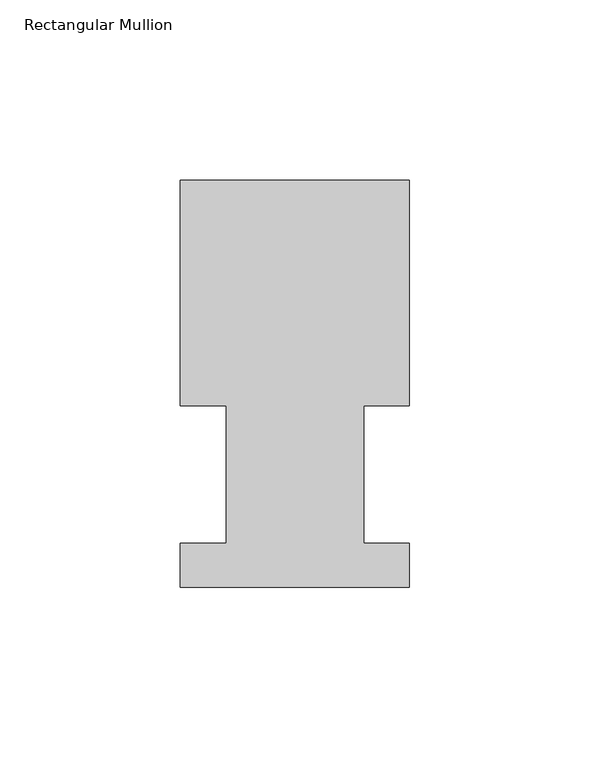
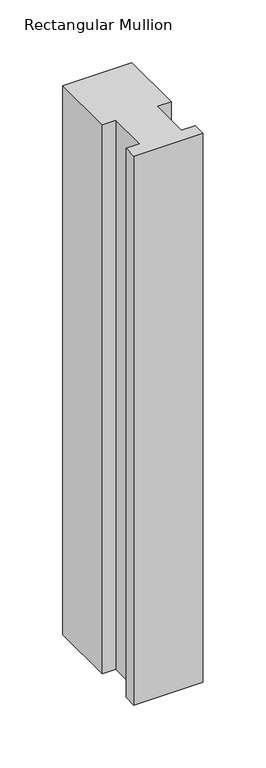
"""IFC4 building model written with IfcOpenShell, lengths in millimetres: member geometry, Rectangular Mullion."""

from ifc_helpers import new_model, si_unit, frame, origin, place, context, project, spatial, polyline, outline, extrude, source, transform, mapped, element, save


def rectangular_mullion_3746bf81(model_context):
    return source(origin(), model_context, "Body", "SweptSolid", [
        extrude(outline(polyline([(-63.5254, 52.5859375), (-63.5254, 115.0699375), (0.0, 115.0699375), (0.0, 52.5859375), (-12.602764, 52.5859375), (-12.602764, 14.4858895), (0.0, 14.4858895), (0.0, 2.1909696), (-63.5, 2.1909696), (-63.5, 14.4859394), (-50.7405803, 14.4859394), (-50.7405803, 52.5859375), (-63.5254, 52.5859375)])), frame((0.0, 0.0, -533.4000006), z_axis=(0.0, 0.0, 1.0), x_axis=(1.0, 0.0, 0.0)), (0.0, 0.0, 1.0), 533.4000006),
    ])


if __name__ == "__main__":
    model = new_model("IFC4")
    model_context = context("Model", 3, world=origin())
    ifc_project = project(units=[si_unit("LENGTHUNIT", "METRE", prefix="MILLI")], contexts=[model_context])
    site = spatial("IfcSite", under=ifc_project)
    building = spatial("IfcBuilding", under=site)
    placement = place(None, origin())
    rectangular_mullion_shape = rectangular_mullion_3746bf81(model_context)
    element("IfcMember", 1, ObjectType="Rectangular Mullion", at=placement, inside=building, context=model_context, shape_type="MappedRepresentation", body=[
        mapped(rectangular_mullion_shape, transform((0.0, 0.0, 0.0), x_axis=(1.0, 0.0, 0.0), y_axis=(0.0, 1.0, 0.0), z_axis=(0.0, 0.0, 1.0))),
    ])
    save(model, "model.ifc")
